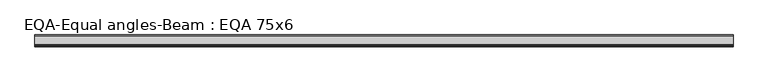
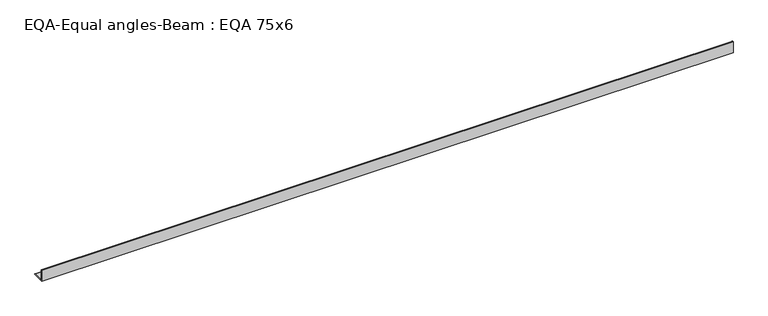
"""IFC4 building model written with IfcOpenShell, lengths in millimetres: beam geometry, EQA-Equal angles-Beam : EQA 75x6."""

from ifc_helpers import new_model, si_unit, point, frame, frame_2d, origin, place, context, project, spatial, polyline, circle_curve, trimmed, segment, composite_curve, outline, extrude, source, transform, mapped, element, save


def eqa_equal_angles_beam_eqa_75x6_7897ff58(model_context):
    return source(origin(), model_context, "Body", "SweptSolid", [
        extrude(outline(composite_curve([segment(polyline([(-20.5, -20.5), (-20.5, 54.5), (-19.0, 54.5)]), True, "CONTINUOUS"), segment(trimmed(circle_curve(frame_2d((-19.0, 50.0)), 4.5), [point((-19.0, 54.5))], [point((-14.5, 50.0))], False, "CARTESIAN"), True, "CONTINUOUS"), segment(polyline([(-14.5, 50.0), (-14.5, -5.5)]), True, "CONTINUOUS"), segment(trimmed(circle_curve(frame_2d((-5.5, -5.5)), 9.0), [point((-14.5, -5.5))], [point((-5.5, -14.5))], True, "CARTESIAN"), True, "CONTINUOUS"), segment(polyline([(-5.5, -14.5), (50.0, -14.5)]), True, "CONTINUOUS"), segment(trimmed(circle_curve(frame_2d((50.0, -19.0)), 4.5), [point((50.0, -14.5))], [point((54.5, -19.0))], False, "CARTESIAN"), True, "CONTINUOUS"), segment(polyline([(54.5, -19.0), (54.5, -20.5), (-20.5, -20.5)]), True, "CONTINUOUS")], self_intersect=False)), frame((-2215.2856141, 0.0, 0.0), z_axis=(1.0, 0.0, 0.0), x_axis=(0.0, 1.0, 0.0)), (0.0, 0.0, 1.0), 4452.5477991),
    ])


if __name__ == "__main__":
    model = new_model("IFC4")
    model_context = context("Model", 3, world=origin())
    ifc_project = project(units=[si_unit("LENGTHUNIT", "METRE", prefix="MILLI")], contexts=[model_context])
    site = spatial("IfcSite", under=ifc_project)
    building = spatial("IfcBuilding", under=site)
    placement = place(None, origin())
    eqa_equal_angles_beam_eqa_75x6_shape = eqa_equal_angles_beam_eqa_75x6_7897ff58(model_context)
    element("IfcBeam", 1, ObjectType="EQA-Equal angles-Beam : EQA 75x6", at=placement, inside=building, context=model_context, shape_type="MappedRepresentation", body=[
        mapped(eqa_equal_angles_beam_eqa_75x6_shape, transform((0.0, 0.0, 0.0), x_axis=(1.0, 0.0, 0.0), y_axis=(0.0, 1.0, 0.0), z_axis=(0.0, 0.0, 1.0))),
    ])
    save(model, "model.ifc")
